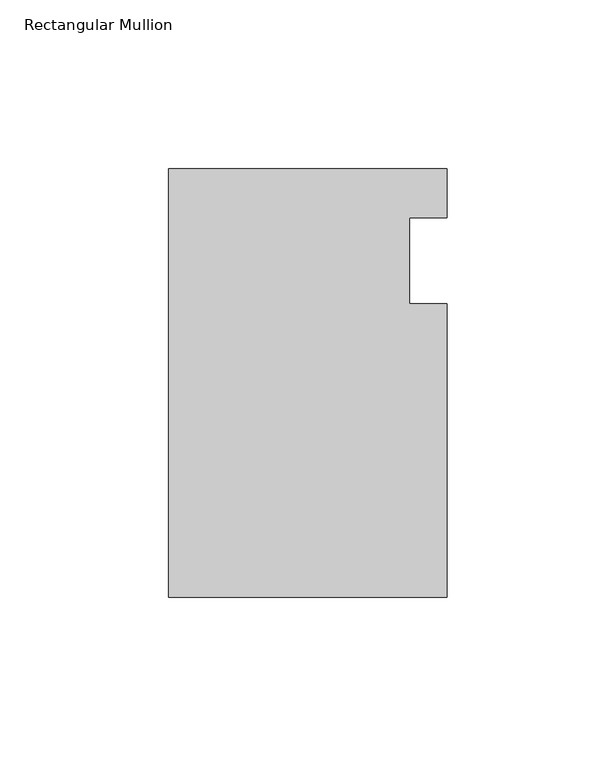
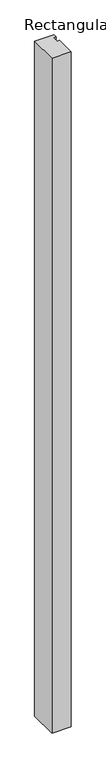
"""IFC4 building model written with IfcOpenShell, lengths in millimetres: member geometry, Rectangular Mullion."""

import ifcopenshell
import ifcopenshell.guid

model = None  # the IFC model being written
_history = None  # IfcOwnerHistory: only IFC2X3 demands one
_inside = {}  # id of a spatial element -> (the spatial element, [elements in it])
_under = {}  # id of a project, library or spatial element -> (it, [spatial elements below it])
_declared = {}  # id of a project -> (the project, [libraries it declares])
_typed = {}  # id of a type object -> (the type object, [elements of that type])
_made_of = {}  # id of a material, layer set ... -> (it, [elements and type objects made of it])


def new_model(schema):
    """Start an empty IFC model of exactly this schema.

    Asked for "IFC4X3", IfcOpenShell would pick the latest addendum, in which some entities
    have other attributes; the version numbers below select the first issue.
    IFC2X3 requires an IfcOwnerHistory on every rooted entity: one is made here for all.
    """
    global model, _history
    if schema == "IFC4X3":
        model = ifcopenshell.file(schema_version=(4, 3, 0, 0))
    else:
        model = ifcopenshell.file(schema=schema)
    _inside.clear()
    _under.clear()
    _declared.clear()
    _typed.clear()
    _made_of.clear()
    _history = None
    if model.schema == "IFC2X3":
        org = make("IfcOrganization", Name="unknown")
        user = make(
            "IfcPersonAndOrganization",
            ThePerson=make("IfcPerson", FamilyName="unknown"),
            TheOrganization=org,
        )
        app = make(
            "IfcApplication",
            ApplicationDeveloper=org,
            Version="unknown",
            ApplicationFullName="unknown",
            ApplicationIdentifier="unknown",
        )
        _history = make(
            "IfcOwnerHistory",
            OwningUser=user,
            OwningApplication=app,
            ChangeAction="ADDED",
            CreationDate=0,
        )
    return model


def make(cls, **values):
    """One entity of the class cls with the attributes given. An attribute that is None is left unset."""
    return model.create_entity(
        cls, **{name: value for name, value in values.items() if value is not None}
    )


def rooted(cls, **values):
    """An entity with a GlobalId (a new one), such as an element, a storey or a relation."""
    return make(cls, GlobalId=ifcopenshell.guid.new(), OwnerHistory=_history, **values)


def si_unit(unit_type, name, prefix=None):
    """IfcSIUnit, for example si_unit("LENGTHUNIT", "METRE", prefix="MILLI")."""
    return make("IfcSIUnit", UnitType=unit_type, Prefix=prefix, Name=name)


def assignment(units):
    """IfcUnitAssignment: the units of a project."""
    return None if units is None else make("IfcUnitAssignment", Units=units)


def point(xyz):
    """IfcCartesianPoint."""
    return None if xyz is None else make("IfcCartesianPoint", Coordinates=xyz)


def direction(xyz):
    """IfcDirection."""
    return None if xyz is None else make("IfcDirection", DirectionRatios=xyz)


def frame(location, z_axis=None, x_axis=None):
    """IfcAxis2Placement3D, a coordinate frame: its origin and axes. An axis left out is left unset."""
    return make(
        "IfcAxis2Placement3D",
        Location=point(location),
        Axis=direction(z_axis),
        RefDirection=direction(x_axis),
    )


def origin():
    """The frame at (0, 0, 0) with its axes left unset."""
    return frame((0.0, 0.0, 0.0))


def place(relative_to, where):
    """IfcLocalPlacement: puts the frame where relative to a parent placement (None: the world)."""
    return make(
        "IfcLocalPlacement", PlacementRelTo=relative_to, RelativePlacement=where
    )


def context(
    kind, dimensions, precision=None, world=None, true_north=None, identifier=None
):
    """IfcGeometricRepresentationContext, for example the 3D "Model" context."""
    return make(
        "IfcGeometricRepresentationContext",
        ContextIdentifier=identifier,
        ContextType=kind,
        CoordinateSpaceDimension=dimensions,
        Precision=precision,
        WorldCoordinateSystem=world,
        TrueNorth=true_north,
    )


def project(units=None, contexts=None):
    """IfcProject with its units and contexts."""
    return rooted(
        "IfcProject",
        Name="project",
        RepresentationContexts=contexts,
        UnitsInContext=assignment(units),
    )


def spatial(cls, under=None, at=None, **own):
    """A site, building, storey or space (cls), placed at a placement, below another one or the project."""
    s = rooted(cls, ObjectPlacement=at, **own)
    if under is not None:
        _under.setdefault(under.id(), (under, []))[1].append(s)
    return s


def polyline(points):
    """IfcPolyline through the points."""
    return make("IfcPolyline", Points=[point(p) for p in points])


def outline(outer, holes=None, kind="AREA"):
    """IfcArbitraryClosedProfileDef: a profile drawn as a closed curve; with holes, ...WithVoids."""
    if holes is None:
        return make("IfcArbitraryClosedProfileDef", ProfileType=kind, OuterCurve=outer)
    return make(
        "IfcArbitraryProfileDefWithVoids",
        ProfileType=kind,
        OuterCurve=outer,
        InnerCurves=holes,
    )


def extrude(swept, where, along, depth):
    """IfcExtrudedAreaSolid: the profile swept, set in the frame where, extruded along a direction by depth."""
    return make(
        "IfcExtrudedAreaSolid",
        SweptArea=swept,
        Position=where,
        ExtrudedDirection=direction(along),
        Depth=depth,
    )


def shape(context_of_items, identifier, shape_type, items):
    """IfcShapeRepresentation: the items that make up one representation, for example the "Body"."""
    return make(
        "IfcShapeRepresentation",
        ContextOfItems=context_of_items,
        RepresentationIdentifier=identifier,
        RepresentationType=shape_type,
        Items=items,
    )


def source(mapping_origin, context_of_items, identifier, shape_type, items):
    """IfcRepresentationMap: a shape defined once, which mapped items show again and again."""
    return make(
        "IfcRepresentationMap",
        MappingOrigin=mapping_origin,
        MappedRepresentation=shape(context_of_items, identifier, shape_type, items),
    )


def transform(
    local_origin,
    x_axis=None,
    y_axis=None,
    z_axis=None,
    scale=None,
    scale2=None,
    scale3=None,
    uniform=True,
):
    """IfcCartesianTransformationOperator3D, or its non-uniform kind. x_axis, y_axis, z_axis: its Axis1, 2, 3."""
    if uniform:
        return make(
            "IfcCartesianTransformationOperator3D",
            Axis1=direction(x_axis),
            Axis2=direction(y_axis),
            LocalOrigin=point(local_origin),
            Scale=scale,
            Axis3=direction(z_axis),
        )
    return make(
        "IfcCartesianTransformationOperator3DnonUniform",
        Axis1=direction(x_axis),
        Axis2=direction(y_axis),
        LocalOrigin=point(local_origin),
        Scale=scale,
        Axis3=direction(z_axis),
        Scale2=scale2,
        Scale3=scale3,
    )


def mapped(mapping_source, mapping_target):
    """IfcMappedItem: shows the shape of a source again, moved by a transform."""
    return make(
        "IfcMappedItem", MappingSource=mapping_source, MappingTarget=mapping_target
    )


def made_of(thing, what):
    """Note that an element or type object is made of a material, layer set ...; save() writes the relation."""
    if what is not None:
        _made_of.setdefault(what.id(), (what, []))[1].append(thing)
    return thing


def element(
    cls,
    number,
    at=None,
    inside=None,
    cuts=None,
    type_object=None,
    material=None,
    context=None,
    identifier="Body",
    shape_type=None,
    held_by="IfcProductDefinitionShape",
    body=None,
    shapes=None,
    **own,
):
    """One element of the class cls, such as IfcWall. Its Tag is "e" and its number.

    at: its placement. inside: the storey or other place that contains it. cuts: it is an
    opening in that element (IfcRelVoidsElement). A single representation is given by context,
    identifier, shape_type and body (its items); several are given by shapes. held_by: the class
    of the entity that holds the representations. save() writes the other relations.
    """
    e = rooted(cls, Tag="e%d" % number, ObjectPlacement=at, **own)
    if body is not None:
        shapes = [shape(context, identifier, shape_type, body)]
    if shapes is not None:
        e.Representation = make(held_by, Representations=shapes)
    if inside is not None:
        _inside.setdefault(inside.id(), (inside, []))[1].append(e)
    if cuts is not None:
        rooted(
            "IfcRelVoidsElement", RelatingBuildingElement=cuts, RelatedOpeningElement=e
        )
    if type_object is not None:
        _typed.setdefault(type_object.id(), (type_object, []))[1].append(e)
    return made_of(e, material)


def aggregate(whole, parts):
    """IfcRelAggregates: a whole, such as a stair, and the parts it consists of."""
    return rooted("IfcRelAggregates", RelatingObject=whole, RelatedObjects=parts)


def save(model, path):
    """Write the relations noted so far, then the file.

    IfcRelAggregates (storeys below a building ...), IfcRelContainedInSpatialStructure (elements
    in a storey), IfcRelDefinesByType, IfcRelAssociatesMaterial and IfcRelDeclares: one each for
    every whole, place, type object, material and project.
    """
    for whole, parts in _under.values():
        aggregate(whole, parts)
    for where, things in _inside.values():
        rooted(
            "IfcRelContainedInSpatialStructure",
            RelatedElements=things,
            RelatingStructure=where,
        )
    for kind, things in _typed.values():
        rooted("IfcRelDefinesByType", RelatedObjects=things, RelatingType=kind)
    for what, things in _made_of.values():
        rooted("IfcRelAssociatesMaterial", RelatedObjects=things, RelatingMaterial=what)
    for by, libraries in _declared.values():
        rooted("IfcRelDeclares", RelatingContext=by, RelatedDefinitions=libraries)
    model.write(path)


def rectangular_mullion_e44d880a(model_context):
    return source(origin(), model_context, "Body", "SweptSolid", [
        extrude(outline(polyline([(-82.55, -66.247162), (-82.55, 60.7587684), (0.0, 60.7587684), (0.0, 46.2552434), (-11.1125, 46.2552434), (-11.1125, 20.8314429), (0.0, 20.8314429), (0.0, -66.247162), (-82.55, -66.247162)])), frame((0.0, 0.0, -3048.0), z_axis=(0.0, 0.0, 1.0), x_axis=(1.0, 0.0, 0.0)), (0.0, 0.0, 1.0), 3048.0),
    ])


if __name__ == "__main__":
    model = new_model("IFC4")
    model_context = context("Model", 3, world=origin())
    ifc_project = project(units=[si_unit("LENGTHUNIT", "METRE", prefix="MILLI")], contexts=[model_context])
    site = spatial("IfcSite", under=ifc_project)
    building = spatial("IfcBuilding", under=site)
    placement = place(None, origin())
    rectangular_mullion_shape = rectangular_mullion_e44d880a(model_context)
    element("IfcMember", 1, ObjectType="Rectangular Mullion", at=placement, inside=building, context=model_context, shape_type="MappedRepresentation", body=[
        mapped(rectangular_mullion_shape, transform((0.0, 0.0, 0.0), x_axis=(1.0, 0.0, 0.0), y_axis=(0.0, 1.0, 0.0), z_axis=(0.0, 0.0, 1.0))),
    ])
    save(model, "model.ifc")
